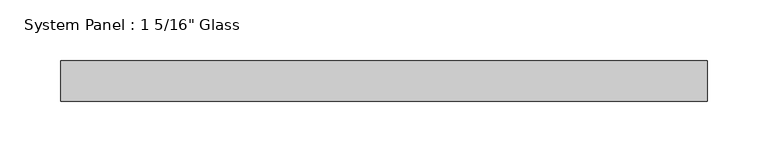
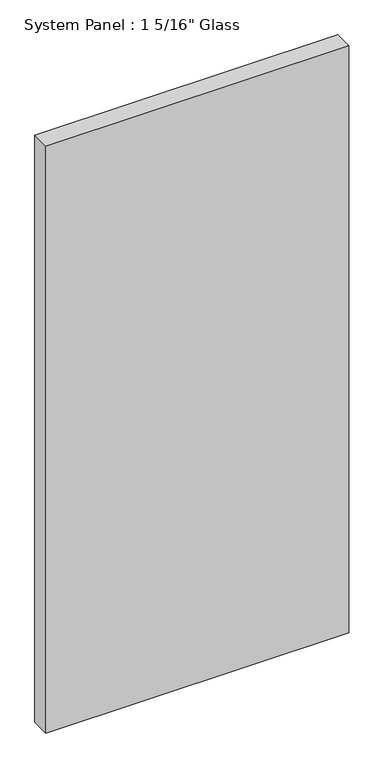
"""IFC4 building model written with IfcOpenShell, lengths in millimetres: plate geometry."""

import ifcopenshell
import ifcopenshell.guid

model = None  # the IFC model being written
_history = None  # IfcOwnerHistory: only IFC2X3 demands one
_inside = {}  # id of a spatial element -> (the spatial element, [elements in it])
_under = {}  # id of a project, library or spatial element -> (it, [spatial elements below it])
_declared = {}  # id of a project -> (the project, [libraries it declares])
_typed = {}  # id of a type object -> (the type object, [elements of that type])
_made_of = {}  # id of a material, layer set ... -> (it, [elements and type objects made of it])


def new_model(schema):
    """Start an empty IFC model of exactly this schema.

    Asked for "IFC4X3", IfcOpenShell would pick the latest addendum, in which some entities
    have other attributes; the version numbers below select the first issue.
    IFC2X3 requires an IfcOwnerHistory on every rooted entity: one is made here for all.
    """
    global model, _history
    if schema == "IFC4X3":
        model = ifcopenshell.file(schema_version=(4, 3, 0, 0))
    else:
        model = ifcopenshell.file(schema=schema)
    _inside.clear()
    _under.clear()
    _declared.clear()
    _typed.clear()
    _made_of.clear()
    _history = None
    if model.schema == "IFC2X3":
        org = make("IfcOrganization", Name="unknown")
        user = make(
            "IfcPersonAndOrganization",
            ThePerson=make("IfcPerson", FamilyName="unknown"),
            TheOrganization=org,
        )
        app = make(
            "IfcApplication",
            ApplicationDeveloper=org,
            Version="unknown",
            ApplicationFullName="unknown",
            ApplicationIdentifier="unknown",
        )
        _history = make(
            "IfcOwnerHistory",
            OwningUser=user,
            OwningApplication=app,
            ChangeAction="ADDED",
            CreationDate=0,
        )
    return model


def make(cls, **values):
    """One entity of the class cls with the attributes given. An attribute that is None is left unset."""
    return model.create_entity(
        cls, **{name: value for name, value in values.items() if value is not None}
    )


def rooted(cls, **values):
    """An entity with a GlobalId (a new one), such as an element, a storey or a relation."""
    return make(cls, GlobalId=ifcopenshell.guid.new(), OwnerHistory=_history, **values)


def si_unit(unit_type, name, prefix=None):
    """IfcSIUnit, for example si_unit("LENGTHUNIT", "METRE", prefix="MILLI")."""
    return make("IfcSIUnit", UnitType=unit_type, Prefix=prefix, Name=name)


def assignment(units):
    """IfcUnitAssignment: the units of a project."""
    return None if units is None else make("IfcUnitAssignment", Units=units)


def point(xyz):
    """IfcCartesianPoint."""
    return None if xyz is None else make("IfcCartesianPoint", Coordinates=xyz)


def direction(xyz):
    """IfcDirection."""
    return None if xyz is None else make("IfcDirection", DirectionRatios=xyz)


def frame(location, z_axis=None, x_axis=None):
    """IfcAxis2Placement3D, a coordinate frame: its origin and axes. An axis left out is left unset."""
    return make(
        "IfcAxis2Placement3D",
        Location=point(location),
        Axis=direction(z_axis),
        RefDirection=direction(x_axis),
    )


def origin():
    """The frame at (0, 0, 0) with its axes left unset."""
    return frame((0.0, 0.0, 0.0))


def origin_with_axes():
    """The frame at (0, 0, 0) with the z axis (0, 0, 1) and the x axis (1, 0, 0) written out."""
    return frame((0.0, 0.0, 0.0), z_axis=(0.0, 0.0, 1.0), x_axis=(1.0, 0.0, 0.0))


def place(relative_to, where):
    """IfcLocalPlacement: puts the frame where relative to a parent placement (None: the world)."""
    return make(
        "IfcLocalPlacement", PlacementRelTo=relative_to, RelativePlacement=where
    )


def context(
    kind, dimensions, precision=None, world=None, true_north=None, identifier=None
):
    """IfcGeometricRepresentationContext, for example the 3D "Model" context."""
    return make(
        "IfcGeometricRepresentationContext",
        ContextIdentifier=identifier,
        ContextType=kind,
        CoordinateSpaceDimension=dimensions,
        Precision=precision,
        WorldCoordinateSystem=world,
        TrueNorth=true_north,
    )


def project(units=None, contexts=None):
    """IfcProject with its units and contexts."""
    return rooted(
        "IfcProject",
        Name="project",
        RepresentationContexts=contexts,
        UnitsInContext=assignment(units),
    )


def spatial(cls, under=None, at=None, **own):
    """A site, building, storey or space (cls), placed at a placement, below another one or the project."""
    s = rooted(cls, ObjectPlacement=at, **own)
    if under is not None:
        _under.setdefault(under.id(), (under, []))[1].append(s)
    return s


def polyline(points):
    """IfcPolyline through the points."""
    return make("IfcPolyline", Points=[point(p) for p in points])


def outline(outer, holes=None, kind="AREA"):
    """IfcArbitraryClosedProfileDef: a profile drawn as a closed curve; with holes, ...WithVoids."""
    if holes is None:
        return make("IfcArbitraryClosedProfileDef", ProfileType=kind, OuterCurve=outer)
    return make(
        "IfcArbitraryProfileDefWithVoids",
        ProfileType=kind,
        OuterCurve=outer,
        InnerCurves=holes,
    )


def extrude(swept, where, along, depth):
    """IfcExtrudedAreaSolid: the profile swept, set in the frame where, extruded along a direction by depth."""
    return make(
        "IfcExtrudedAreaSolid",
        SweptArea=swept,
        Position=where,
        ExtrudedDirection=direction(along),
        Depth=depth,
    )


def shape(context_of_items, identifier, shape_type, items):
    """IfcShapeRepresentation: the items that make up one representation, for example the "Body"."""
    return make(
        "IfcShapeRepresentation",
        ContextOfItems=context_of_items,
        RepresentationIdentifier=identifier,
        RepresentationType=shape_type,
        Items=items,
    )


def source(mapping_origin, context_of_items, identifier, shape_type, items):
    """IfcRepresentationMap: a shape defined once, which mapped items show again and again."""
    return make(
        "IfcRepresentationMap",
        MappingOrigin=mapping_origin,
        MappedRepresentation=shape(context_of_items, identifier, shape_type, items),
    )


def transform(
    local_origin,
    x_axis=None,
    y_axis=None,
    z_axis=None,
    scale=None,
    scale2=None,
    scale3=None,
    uniform=True,
):
    """IfcCartesianTransformationOperator3D, or its non-uniform kind. x_axis, y_axis, z_axis: its Axis1, 2, 3."""
    if uniform:
        return make(
            "IfcCartesianTransformationOperator3D",
            Axis1=direction(x_axis),
            Axis2=direction(y_axis),
            LocalOrigin=point(local_origin),
            Scale=scale,
            Axis3=direction(z_axis),
        )
    return make(
        "IfcCartesianTransformationOperator3DnonUniform",
        Axis1=direction(x_axis),
        Axis2=direction(y_axis),
        LocalOrigin=point(local_origin),
        Scale=scale,
        Axis3=direction(z_axis),
        Scale2=scale2,
        Scale3=scale3,
    )


def mapped(mapping_source, mapping_target):
    """IfcMappedItem: shows the shape of a source again, moved by a transform."""
    return make(
        "IfcMappedItem", MappingSource=mapping_source, MappingTarget=mapping_target
    )


def made_of(thing, what):
    """Note that an element or type object is made of a material, layer set ...; save() writes the relation."""
    if what is not None:
        _made_of.setdefault(what.id(), (what, []))[1].append(thing)
    return thing


def element(
    cls,
    number,
    at=None,
    inside=None,
    cuts=None,
    type_object=None,
    material=None,
    context=None,
    identifier="Body",
    shape_type=None,
    held_by="IfcProductDefinitionShape",
    body=None,
    shapes=None,
    **own,
):
    """One element of the class cls, such as IfcWall. Its Tag is "e" and its number.

    at: its placement. inside: the storey or other place that contains it. cuts: it is an
    opening in that element (IfcRelVoidsElement). A single representation is given by context,
    identifier, shape_type and body (its items); several are given by shapes. held_by: the class
    of the entity that holds the representations. save() writes the other relations.
    """
    e = rooted(cls, Tag="e%d" % number, ObjectPlacement=at, **own)
    if body is not None:
        shapes = [shape(context, identifier, shape_type, body)]
    if shapes is not None:
        e.Representation = make(held_by, Representations=shapes)
    if inside is not None:
        _inside.setdefault(inside.id(), (inside, []))[1].append(e)
    if cuts is not None:
        rooted(
            "IfcRelVoidsElement", RelatingBuildingElement=cuts, RelatedOpeningElement=e
        )
    if type_object is not None:
        _typed.setdefault(type_object.id(), (type_object, []))[1].append(e)
    return made_of(e, material)


def aggregate(whole, parts):
    """IfcRelAggregates: a whole, such as a stair, and the parts it consists of."""
    return rooted("IfcRelAggregates", RelatingObject=whole, RelatedObjects=parts)


def save(model, path):
    """Write the relations noted so far, then the file.

    IfcRelAggregates (storeys below a building ...), IfcRelContainedInSpatialStructure (elements
    in a storey), IfcRelDefinesByType, IfcRelAssociatesMaterial and IfcRelDeclares: one each for
    every whole, place, type object, material and project.
    """
    for whole, parts in _under.values():
        aggregate(whole, parts)
    for where, things in _inside.values():
        rooted(
            "IfcRelContainedInSpatialStructure",
            RelatedElements=things,
            RelatingStructure=where,
        )
    for kind, things in _typed.values():
        rooted("IfcRelDefinesByType", RelatedObjects=things, RelatingType=kind)
    for what, things in _made_of.values():
        rooted("IfcRelAssociatesMaterial", RelatedObjects=things, RelatingMaterial=what)
    for by, libraries in _declared.values():
        rooted("IfcRelDeclares", RelatingContext=by, RelatedDefinitions=libraries)
    model.write(path)


def plate_060c5608(model_context):
    return source(origin(), model_context, "Body", "SweptSolid", [
        extrude(outline(polyline([(266.7, -16.66875), (-266.7, -16.66875), (-266.7, 16.66875), (266.7, 16.66875), (266.7, -16.66875)])), origin_with_axes(), (0.0, 0.0, 1.0), 1092.2),
    ])


if __name__ == "__main__":
    model = new_model("IFC4")
    model_context = context("Model", 3, world=origin())
    ifc_project = project(units=[si_unit("LENGTHUNIT", "METRE", prefix="MILLI")], contexts=[model_context])
    site = spatial("IfcSite", under=ifc_project)
    building = spatial("IfcBuilding", under=site)
    placement = place(None, origin())
    plate_shape = plate_060c5608(model_context)
    element("IfcPlate", 1, ObjectType="System Panel : 1 5/16\" Glass", at=placement, inside=building, context=model_context, shape_type="MappedRepresentation", body=[
        mapped(plate_shape, transform((0.0, 0.0, 0.0), x_axis=(1.0, 0.0, 0.0), y_axis=(0.0, 1.0, 0.0), z_axis=(0.0, 0.0, 1.0))),
    ])
    save(model, "model.ifc")
